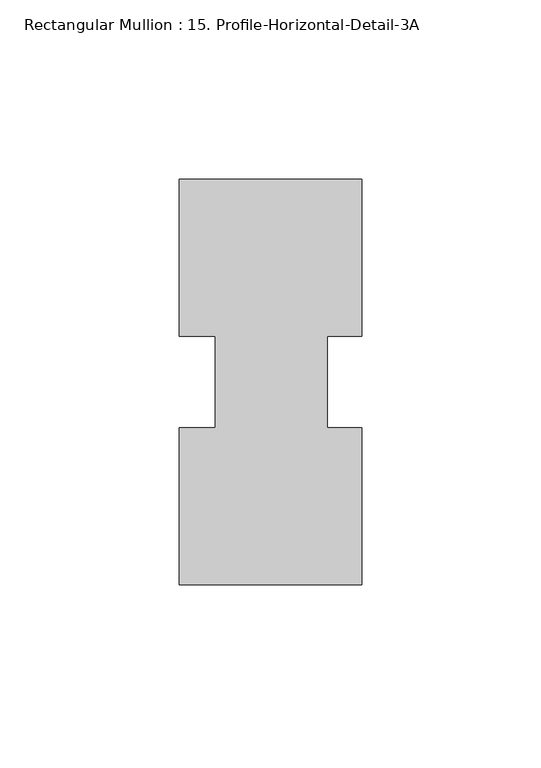
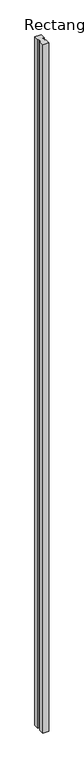
"""IFC4 building model written with IfcOpenShell, lengths in millimetres: member geometry, Rectangular Mullion : 15. Profile-Horizontal-Detail-3A."""

import ifcopenshell
import ifcopenshell.guid

model = None  # the IFC model being written
_history = None  # IfcOwnerHistory: only IFC2X3 demands one
_inside = {}  # id of a spatial element -> (the spatial element, [elements in it])
_under = {}  # id of a project, library or spatial element -> (it, [spatial elements below it])
_declared = {}  # id of a project -> (the project, [libraries it declares])
_typed = {}  # id of a type object -> (the type object, [elements of that type])
_made_of = {}  # id of a material, layer set ... -> (it, [elements and type objects made of it])


def new_model(schema):
    """Start an empty IFC model of exactly this schema.

    Asked for "IFC4X3", IfcOpenShell would pick the latest addendum, in which some entities
    have other attributes; the version numbers below select the first issue.
    IFC2X3 requires an IfcOwnerHistory on every rooted entity: one is made here for all.
    """
    global model, _history
    if schema == "IFC4X3":
        model = ifcopenshell.file(schema_version=(4, 3, 0, 0))
    else:
        model = ifcopenshell.file(schema=schema)
    _inside.clear()
    _under.clear()
    _declared.clear()
    _typed.clear()
    _made_of.clear()
    _history = None
    if model.schema == "IFC2X3":
        org = make("IfcOrganization", Name="unknown")
        user = make(
            "IfcPersonAndOrganization",
            ThePerson=make("IfcPerson", FamilyName="unknown"),
            TheOrganization=org,
        )
        app = make(
            "IfcApplication",
            ApplicationDeveloper=org,
            Version="unknown",
            ApplicationFullName="unknown",
            ApplicationIdentifier="unknown",
        )
        _history = make(
            "IfcOwnerHistory",
            OwningUser=user,
            OwningApplication=app,
            ChangeAction="ADDED",
            CreationDate=0,
        )
    return model


def make(cls, **values):
    """One entity of the class cls with the attributes given. An attribute that is None is left unset."""
    return model.create_entity(
        cls, **{name: value for name, value in values.items() if value is not None}
    )


def rooted(cls, **values):
    """An entity with a GlobalId (a new one), such as an element, a storey or a relation."""
    return make(cls, GlobalId=ifcopenshell.guid.new(), OwnerHistory=_history, **values)


def si_unit(unit_type, name, prefix=None):
    """IfcSIUnit, for example si_unit("LENGTHUNIT", "METRE", prefix="MILLI")."""
    return make("IfcSIUnit", UnitType=unit_type, Prefix=prefix, Name=name)


def assignment(units):
    """IfcUnitAssignment: the units of a project."""
    return None if units is None else make("IfcUnitAssignment", Units=units)


def point(xyz):
    """IfcCartesianPoint."""
    return None if xyz is None else make("IfcCartesianPoint", Coordinates=xyz)


def direction(xyz):
    """IfcDirection."""
    return None if xyz is None else make("IfcDirection", DirectionRatios=xyz)


def frame(location, z_axis=None, x_axis=None):
    """IfcAxis2Placement3D, a coordinate frame: its origin and axes. An axis left out is left unset."""
    return make(
        "IfcAxis2Placement3D",
        Location=point(location),
        Axis=direction(z_axis),
        RefDirection=direction(x_axis),
    )


def origin():
    """The frame at (0, 0, 0) with its axes left unset."""
    return frame((0.0, 0.0, 0.0))


def place(relative_to, where):
    """IfcLocalPlacement: puts the frame where relative to a parent placement (None: the world)."""
    return make(
        "IfcLocalPlacement", PlacementRelTo=relative_to, RelativePlacement=where
    )


def context(
    kind, dimensions, precision=None, world=None, true_north=None, identifier=None
):
    """IfcGeometricRepresentationContext, for example the 3D "Model" context."""
    return make(
        "IfcGeometricRepresentationContext",
        ContextIdentifier=identifier,
        ContextType=kind,
        CoordinateSpaceDimension=dimensions,
        Precision=precision,
        WorldCoordinateSystem=world,
        TrueNorth=true_north,
    )


def project(units=None, contexts=None):
    """IfcProject with its units and contexts."""
    return rooted(
        "IfcProject",
        Name="project",
        RepresentationContexts=contexts,
        UnitsInContext=assignment(units),
    )


def spatial(cls, under=None, at=None, **own):
    """A site, building, storey or space (cls), placed at a placement, below another one or the project."""
    s = rooted(cls, ObjectPlacement=at, **own)
    if under is not None:
        _under.setdefault(under.id(), (under, []))[1].append(s)
    return s


def polyline(points):
    """IfcPolyline through the points."""
    return make("IfcPolyline", Points=[point(p) for p in points])


def outline(outer, holes=None, kind="AREA"):
    """IfcArbitraryClosedProfileDef: a profile drawn as a closed curve; with holes, ...WithVoids."""
    if holes is None:
        return make("IfcArbitraryClosedProfileDef", ProfileType=kind, OuterCurve=outer)
    return make(
        "IfcArbitraryProfileDefWithVoids",
        ProfileType=kind,
        OuterCurve=outer,
        InnerCurves=holes,
    )


def extrude(swept, where, along, depth):
    """IfcExtrudedAreaSolid: the profile swept, set in the frame where, extruded along a direction by depth."""
    return make(
        "IfcExtrudedAreaSolid",
        SweptArea=swept,
        Position=where,
        ExtrudedDirection=direction(along),
        Depth=depth,
    )


def shape(context_of_items, identifier, shape_type, items):
    """IfcShapeRepresentation: the items that make up one representation, for example the "Body"."""
    return make(
        "IfcShapeRepresentation",
        ContextOfItems=context_of_items,
        RepresentationIdentifier=identifier,
        RepresentationType=shape_type,
        Items=items,
    )


def source(mapping_origin, context_of_items, identifier, shape_type, items):
    """IfcRepresentationMap: a shape defined once, which mapped items show again and again."""
    return make(
        "IfcRepresentationMap",
        MappingOrigin=mapping_origin,
        MappedRepresentation=shape(context_of_items, identifier, shape_type, items),
    )


def transform(
    local_origin,
    x_axis=None,
    y_axis=None,
    z_axis=None,
    scale=None,
    scale2=None,
    scale3=None,
    uniform=True,
):
    """IfcCartesianTransformationOperator3D, or its non-uniform kind. x_axis, y_axis, z_axis: its Axis1, 2, 3."""
    if uniform:
        return make(
            "IfcCartesianTransformationOperator3D",
            Axis1=direction(x_axis),
            Axis2=direction(y_axis),
            LocalOrigin=point(local_origin),
            Scale=scale,
            Axis3=direction(z_axis),
        )
    return make(
        "IfcCartesianTransformationOperator3DnonUniform",
        Axis1=direction(x_axis),
        Axis2=direction(y_axis),
        LocalOrigin=point(local_origin),
        Scale=scale,
        Axis3=direction(z_axis),
        Scale2=scale2,
        Scale3=scale3,
    )


def mapped(mapping_source, mapping_target):
    """IfcMappedItem: shows the shape of a source again, moved by a transform."""
    return make(
        "IfcMappedItem", MappingSource=mapping_source, MappingTarget=mapping_target
    )


def made_of(thing, what):
    """Note that an element or type object is made of a material, layer set ...; save() writes the relation."""
    if what is not None:
        _made_of.setdefault(what.id(), (what, []))[1].append(thing)
    return thing


def element(
    cls,
    number,
    at=None,
    inside=None,
    cuts=None,
    type_object=None,
    material=None,
    context=None,
    identifier="Body",
    shape_type=None,
    held_by="IfcProductDefinitionShape",
    body=None,
    shapes=None,
    **own,
):
    """One element of the class cls, such as IfcWall. Its Tag is "e" and its number.

    at: its placement. inside: the storey or other place that contains it. cuts: it is an
    opening in that element (IfcRelVoidsElement). A single representation is given by context,
    identifier, shape_type and body (its items); several are given by shapes. held_by: the class
    of the entity that holds the representations. save() writes the other relations.
    """
    e = rooted(cls, Tag="e%d" % number, ObjectPlacement=at, **own)
    if body is not None:
        shapes = [shape(context, identifier, shape_type, body)]
    if shapes is not None:
        e.Representation = make(held_by, Representations=shapes)
    if inside is not None:
        _inside.setdefault(inside.id(), (inside, []))[1].append(e)
    if cuts is not None:
        rooted(
            "IfcRelVoidsElement", RelatingBuildingElement=cuts, RelatedOpeningElement=e
        )
    if type_object is not None:
        _typed.setdefault(type_object.id(), (type_object, []))[1].append(e)
    return made_of(e, material)


def aggregate(whole, parts):
    """IfcRelAggregates: a whole, such as a stair, and the parts it consists of."""
    return rooted("IfcRelAggregates", RelatingObject=whole, RelatedObjects=parts)


def save(model, path):
    """Write the relations noted so far, then the file.

    IfcRelAggregates (storeys below a building ...), IfcRelContainedInSpatialStructure (elements
    in a storey), IfcRelDefinesByType, IfcRelAssociatesMaterial and IfcRelDeclares: one each for
    every whole, place, type object, material and project.
    """
    for whole, parts in _under.values():
        aggregate(whole, parts)
    for where, things in _inside.values():
        rooted(
            "IfcRelContainedInSpatialStructure",
            RelatedElements=things,
            RelatingStructure=where,
        )
    for kind, things in _typed.values():
        rooted("IfcRelDefinesByType", RelatedObjects=things, RelatingType=kind)
    for what, things in _made_of.values():
        rooted("IfcRelAssociatesMaterial", RelatedObjects=things, RelatingMaterial=what)
    for by, libraries in _declared.values():
        rooted("IfcRelDeclares", RelatingContext=by, RelatedDefinitions=libraries)
    model.write(path)


def rectangular_mullion_15_profile_horizontal_detail_3a_31f126a4(model_context):
    return source(origin(), model_context, "Body", "SweptSolid", [
        extrude(outline(polyline([(25.6443966, -56.5372885), (-25.1556034, -56.5372885), (-25.1556034, -12.7519546), (-15.1861089, -12.7519546), (-15.1861089, 12.7357437), (-25.1556034, 12.7357437), (-25.1556034, 56.5435115), (25.6634466, 56.5435115), (25.6634466, 12.7421789), (16.1193966, 12.7421789), (16.1193966, -12.7519546), (25.6443966, -12.7519546), (25.6443966, -56.5372885)])), frame((0.0, 0.0, -6032.5), z_axis=(0.0, 0.0, 1.0), x_axis=(1.0, 0.0, 0.0)), (0.0, 0.0, 1.0), 6032.5),
    ])


if __name__ == "__main__":
    model = new_model("IFC4")
    model_context = context("Model", 3, world=origin())
    ifc_project = project(units=[si_unit("LENGTHUNIT", "METRE", prefix="MILLI")], contexts=[model_context])
    site = spatial("IfcSite", under=ifc_project)
    building = spatial("IfcBuilding", under=site)
    placement = place(None, origin())
    rectangular_mullion_15_profile_horizontal_detail_3a_shape = rectangular_mullion_15_profile_horizontal_detail_3a_31f126a4(model_context)
    element("IfcMember", 1, ObjectType="Rectangular Mullion : 15. Profile-Horizontal-Detail-3A", at=placement, inside=building, context=model_context, shape_type="MappedRepresentation", body=[
        mapped(rectangular_mullion_15_profile_horizontal_detail_3a_shape, transform((0.0, 0.0, 0.0), x_axis=(1.0, 0.0, 0.0), y_axis=(0.0, 1.0, 0.0), z_axis=(0.0, 0.0, 1.0))),
    ])
    save(model, "model.ifc")
